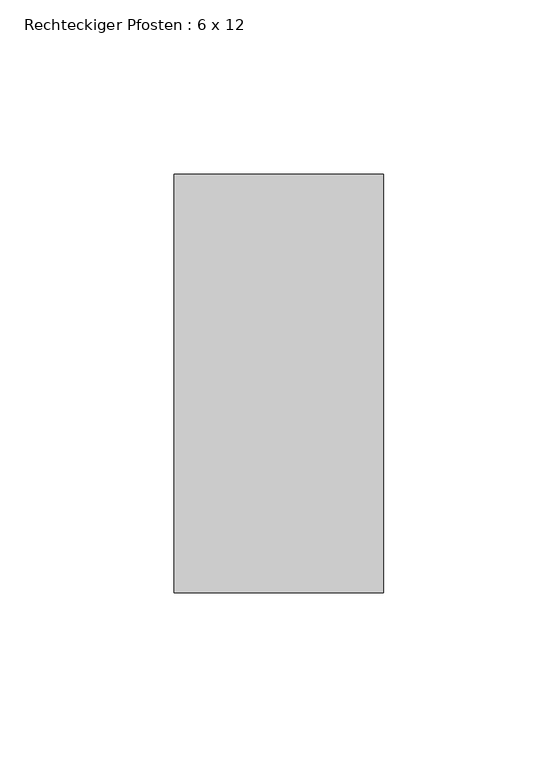
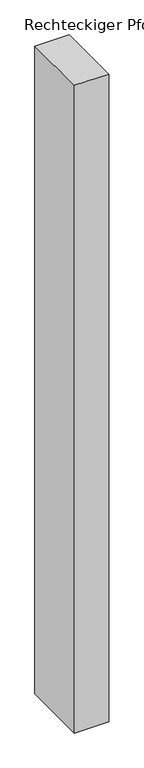
"""IFC4 building model written with IfcOpenShell, lengths in millimetres: member geometry, Rechteckiger Pfosten : 6 x 12."""

from ifc_helpers import new_model, si_unit, frame, origin, place, context, project, spatial, polyline, outline, extrude, source, transform, mapped, element, save


def rechteckiger_pfosten_6_x_12_57ab8b33(model_context):
    return source(origin(), model_context, "Body", "SweptSolid", [
        extrude(outline(polyline([(30.0, 60.0), (30.0, -60.0), (-30.0, -60.0), (-30.0, 60.0), (30.0, 60.0)])), frame((0.0, 0.0, -1200.625), z_axis=(0.0, 0.0, 1.0), x_axis=(1.0, 0.0, 0.0)), (0.0, 0.0, 1.0), 1200.625),
    ])


if __name__ == "__main__":
    model = new_model("IFC4")
    model_context = context("Model", 3, world=origin())
    ifc_project = project(units=[si_unit("LENGTHUNIT", "METRE", prefix="MILLI")], contexts=[model_context])
    site = spatial("IfcSite", under=ifc_project)
    building = spatial("IfcBuilding", under=site)
    placement = place(None, origin())
    rechteckiger_pfosten_6_x_12_shape = rechteckiger_pfosten_6_x_12_57ab8b33(model_context)
    element("IfcMember", 1, ObjectType="Rechteckiger Pfosten : 6 x 12", at=placement, inside=building, context=model_context, shape_type="MappedRepresentation", body=[
        mapped(rechteckiger_pfosten_6_x_12_shape, transform((0.0, 0.0, 0.0), x_axis=(1.0, 0.0, 0.0), y_axis=(0.0, 1.0, 0.0), z_axis=(0.0, 0.0, 1.0))),
    ])
    save(model, "model.ifc")
